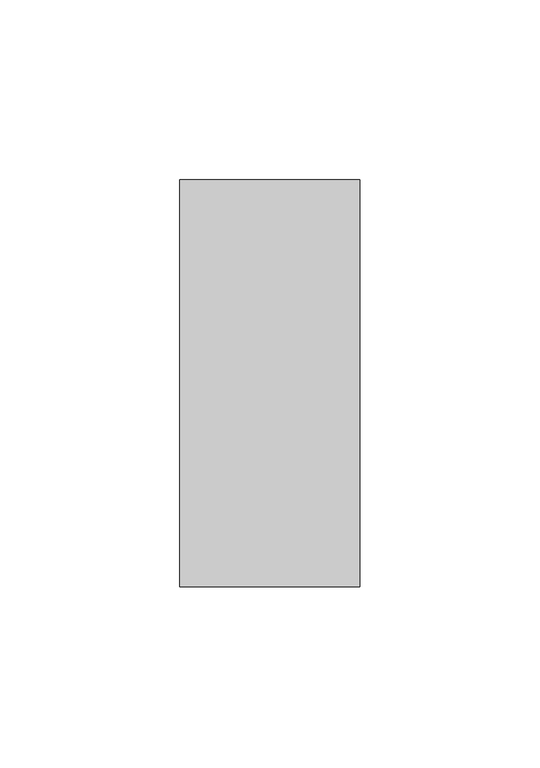
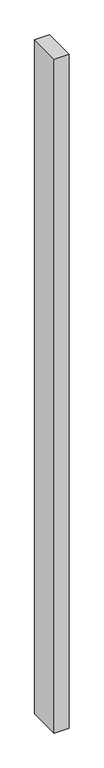
"""IFC4 building model written with IfcOpenShell, lengths in millimetres: member geometry."""

from ifc_helpers import new_model, si_unit, frame, origin, place, context, project, spatial, polyline, outline, extrude, source, transform, mapped, element, save


def member_396783a5(model_context):
    return source(origin(), model_context, "Body", "SweptSolid", [
        extrude(outline(polyline([(-25.0, -22.0), (-25.0, 91.0), (25.0, 91.0), (25.0, -22.0), (-25.0, -22.0)])), frame((0.0, 0.0, -2400.0), z_axis=(0.0, 0.0, 1.0), x_axis=(1.0, 0.0, 0.0)), (0.0, 0.0, 1.0), 2400.0),
    ])


if __name__ == "__main__":
    model = new_model("IFC4")
    model_context = context("Model", 3, world=origin())
    ifc_project = project(units=[si_unit("LENGTHUNIT", "METRE", prefix="MILLI")], contexts=[model_context])
    site = spatial("IfcSite", under=ifc_project)
    building = spatial("IfcBuilding", under=site)
    placement = place(None, origin())
    member_shape = member_396783a5(model_context)
    element("IfcMember", 1, at=placement, inside=building, context=model_context, shape_type="MappedRepresentation", body=[
        mapped(member_shape, transform((0.0, 0.0, 0.0), x_axis=(1.0, 0.0, 0.0), y_axis=(0.0, 1.0, 0.0), z_axis=(0.0, 0.0, 1.0))),
    ])
    save(model, "model.ifc")
